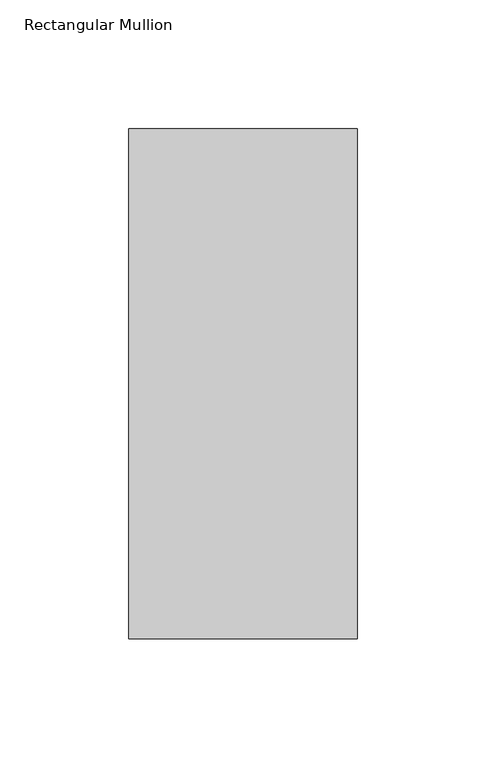
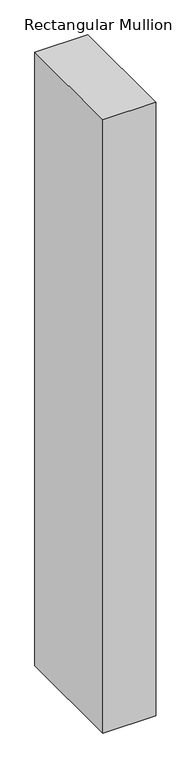
"""IFC4 building model written with IfcOpenShell, lengths in millimetres: member geometry, Rectangular Mullion."""

from ifc_helpers import new_model, si_unit, frame, origin, place, context, project, spatial, polyline, outline, extrude, source, transform, mapped, element, save


def rectangular_mullion_17fca7c4(model_context):
    return source(origin(), model_context, "Body", "SweptSolid", [
        extrude(outline(polyline([(-88.9, 42.06875), (0.0, 42.06875), (0.0, -156.36875), (-88.9, -156.36875), (-88.9, 42.06875)])), frame((0.0, 0.0, -1092.2), z_axis=(0.0, 0.0, 1.0), x_axis=(1.0, 0.0, 0.0)), (0.0, 0.0, 1.0), 1092.2),
    ])


if __name__ == "__main__":
    model = new_model("IFC4")
    model_context = context("Model", 3, world=origin())
    ifc_project = project(units=[si_unit("LENGTHUNIT", "METRE", prefix="MILLI")], contexts=[model_context])
    site = spatial("IfcSite", under=ifc_project)
    building = spatial("IfcBuilding", under=site)
    placement = place(None, origin())
    rectangular_mullion_shape = rectangular_mullion_17fca7c4(model_context)
    element("IfcMember", 1, ObjectType="Rectangular Mullion", at=placement, inside=building, context=model_context, shape_type="MappedRepresentation", body=[
        mapped(rectangular_mullion_shape, transform((0.0, 0.0, 0.0), x_axis=(1.0, 0.0, 0.0), y_axis=(0.0, 1.0, 0.0), z_axis=(0.0, 0.0, 1.0))),
    ])
    save(model, "model.ifc")
